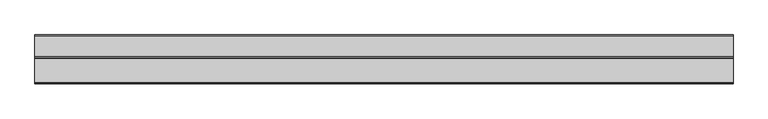
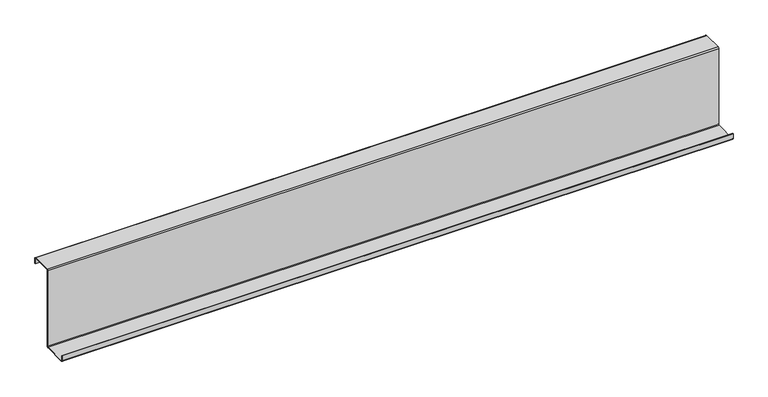
"""IFC4 building model written with IfcOpenShell, lengths in millimetres: member geometry."""

from ifc_helpers import new_model, si_unit, point, frame, frame_2d, origin, place, context, project, spatial, polyline, circle_curve, trimmed, segment, composite_curve, outline, extrude, source, transform, mapped, element, save


def member_24614f16(model_context):
    return source(origin(), model_context, "Body", "SweptSolid", [
        extrude(outline(composite_curve([segment(trimmed(circle_curve(frame_2d((-3.5, -123.5)), 3.5), [point((0.0, -123.5))], [point((-3.5, -127.0))], False, "CARTESIAN"), True, "CONTINUOUS"), segment(polyline([(-3.5, -127.0), (-75.0, -127.0)]), True, "CONTINUOUS"), segment(trimmed(circle_curve(frame_2d((-75.0, -123.5)), 3.5), [point((-75.0, -127.0))], [point((-78.5, -123.5))], False, "CARTESIAN"), True, "CONTINUOUS"), segment(polyline([(-78.5, -123.5), (-78.5, -107.5), (-77.0, -107.5), (-77.0, -123.5)]), True, "CONTINUOUS"), segment(trimmed(circle_curve(frame_2d((-75.0, -123.5)), 2.0), [point((-77.0, -123.5))], [point((-75.0, -125.5))], True, "CARTESIAN"), True, "CONTINUOUS"), segment(polyline([(-75.0, -125.5), (-3.5, -125.5)]), True, "CONTINUOUS"), segment(trimmed(circle_curve(frame_2d((-3.5, -123.5)), 2.0), [point((-3.5, -125.5))], [point((-1.5, -123.5))], True, "CARTESIAN"), True, "CONTINUOUS"), segment(polyline([(-1.5, -123.5), (-1.5, 123.5)]), True, "CONTINUOUS"), segment(trimmed(circle_curve(frame_2d((2.0, 123.5)), 3.5), [point((-1.5, 123.5))], [point((2.0, 127.0))], False, "CARTESIAN"), True, "CONTINUOUS"), segment(polyline([(2.0, 127.0), (63.5, 127.0)]), True, "CONTINUOUS"), segment(trimmed(circle_curve(frame_2d((63.5, 123.5)), 3.5), [point((63.5, 127.0))], [point((67.0, 123.5))], False, "CARTESIAN"), True, "CONTINUOUS"), segment(polyline([(67.0, 123.5), (67.0, 107.0), (65.5, 107.0), (65.5, 123.5)]), True, "CONTINUOUS"), segment(trimmed(circle_curve(frame_2d((63.5, 123.5)), 2.0), [point((65.5, 123.5))], [point((63.5, 125.5))], True, "CARTESIAN"), True, "CONTINUOUS"), segment(polyline([(63.5, 125.5), (2.0, 125.5)]), True, "CONTINUOUS"), segment(trimmed(circle_curve(frame_2d((2.0, 123.5)), 2.0), [point((2.0, 125.5))], [point((0.0, 123.5))], True, "CARTESIAN"), True, "CONTINUOUS"), segment(polyline([(0.0, 123.5), (0.0, -123.5)]), True, "CONTINUOUS")], self_intersect=False)), frame((-1037.0, 0.0, 0.0), z_axis=(1.0, 0.0, 0.0), x_axis=(0.0, 1.0, 0.0)), (0.0, 0.0, 1.0), 2074.0),
    ])


if __name__ == "__main__":
    model = new_model("IFC4")
    model_context = context("Model", 3, world=origin())
    ifc_project = project(units=[si_unit("LENGTHUNIT", "METRE", prefix="MILLI")], contexts=[model_context])
    site = spatial("IfcSite", under=ifc_project)
    building = spatial("IfcBuilding", under=site)
    placement = place(None, origin())
    member_shape = member_24614f16(model_context)
    element("IfcMember", 1, at=placement, inside=building, context=model_context, shape_type="MappedRepresentation", body=[
        mapped(member_shape, transform((0.0, 0.0, 0.0), x_axis=(1.0, 0.0, 0.0), y_axis=(0.0, 1.0, 0.0), z_axis=(0.0, 0.0, 1.0))),
    ])
    save(model, "model.ifc")
